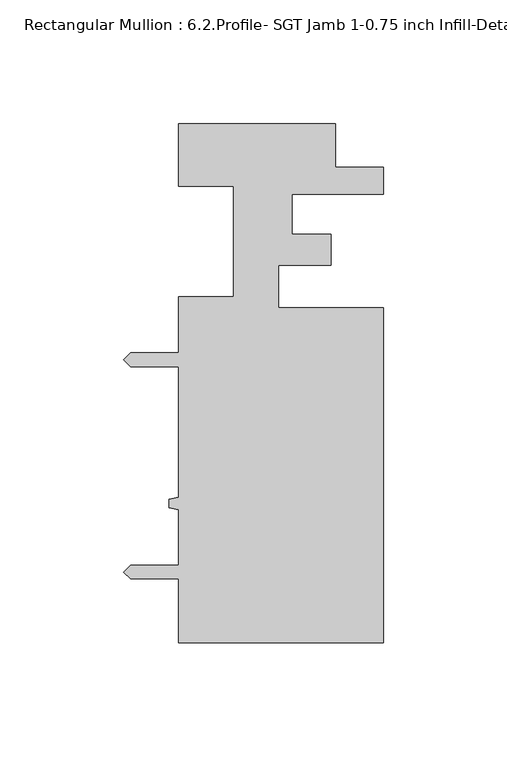
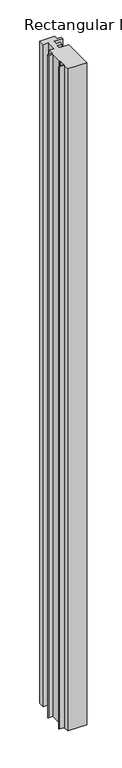
"""IFC4 building model written with IfcOpenShell, lengths in millimetres: member geometry, Rectangular Mullion : 6.2.Profile- SGT Jamb 1-0.75 inch Infill-Detail-7."""

import ifcopenshell
import ifcopenshell.guid

model = None  # the IFC model being written
_history = None  # IfcOwnerHistory: only IFC2X3 demands one
_inside = {}  # id of a spatial element -> (the spatial element, [elements in it])
_under = {}  # id of a project, library or spatial element -> (it, [spatial elements below it])
_declared = {}  # id of a project -> (the project, [libraries it declares])
_typed = {}  # id of a type object -> (the type object, [elements of that type])
_made_of = {}  # id of a material, layer set ... -> (it, [elements and type objects made of it])


def new_model(schema):
    """Start an empty IFC model of exactly this schema.

    Asked for "IFC4X3", IfcOpenShell would pick the latest addendum, in which some entities
    have other attributes; the version numbers below select the first issue.
    IFC2X3 requires an IfcOwnerHistory on every rooted entity: one is made here for all.
    """
    global model, _history
    if schema == "IFC4X3":
        model = ifcopenshell.file(schema_version=(4, 3, 0, 0))
    else:
        model = ifcopenshell.file(schema=schema)
    _inside.clear()
    _under.clear()
    _declared.clear()
    _typed.clear()
    _made_of.clear()
    _history = None
    if model.schema == "IFC2X3":
        org = make("IfcOrganization", Name="unknown")
        user = make(
            "IfcPersonAndOrganization",
            ThePerson=make("IfcPerson", FamilyName="unknown"),
            TheOrganization=org,
        )
        app = make(
            "IfcApplication",
            ApplicationDeveloper=org,
            Version="unknown",
            ApplicationFullName="unknown",
            ApplicationIdentifier="unknown",
        )
        _history = make(
            "IfcOwnerHistory",
            OwningUser=user,
            OwningApplication=app,
            ChangeAction="ADDED",
            CreationDate=0,
        )
    return model


def make(cls, **values):
    """One entity of the class cls with the attributes given. An attribute that is None is left unset."""
    return model.create_entity(
        cls, **{name: value for name, value in values.items() if value is not None}
    )


def rooted(cls, **values):
    """An entity with a GlobalId (a new one), such as an element, a storey or a relation."""
    return make(cls, GlobalId=ifcopenshell.guid.new(), OwnerHistory=_history, **values)


def si_unit(unit_type, name, prefix=None):
    """IfcSIUnit, for example si_unit("LENGTHUNIT", "METRE", prefix="MILLI")."""
    return make("IfcSIUnit", UnitType=unit_type, Prefix=prefix, Name=name)


def assignment(units):
    """IfcUnitAssignment: the units of a project."""
    return None if units is None else make("IfcUnitAssignment", Units=units)


def point(xyz):
    """IfcCartesianPoint."""
    return None if xyz is None else make("IfcCartesianPoint", Coordinates=xyz)


def direction(xyz):
    """IfcDirection."""
    return None if xyz is None else make("IfcDirection", DirectionRatios=xyz)


def frame(location, z_axis=None, x_axis=None):
    """IfcAxis2Placement3D, a coordinate frame: its origin and axes. An axis left out is left unset."""
    return make(
        "IfcAxis2Placement3D",
        Location=point(location),
        Axis=direction(z_axis),
        RefDirection=direction(x_axis),
    )


def origin():
    """The frame at (0, 0, 0) with its axes left unset."""
    return frame((0.0, 0.0, 0.0))


def place(relative_to, where):
    """IfcLocalPlacement: puts the frame where relative to a parent placement (None: the world)."""
    return make(
        "IfcLocalPlacement", PlacementRelTo=relative_to, RelativePlacement=where
    )


def context(
    kind, dimensions, precision=None, world=None, true_north=None, identifier=None
):
    """IfcGeometricRepresentationContext, for example the 3D "Model" context."""
    return make(
        "IfcGeometricRepresentationContext",
        ContextIdentifier=identifier,
        ContextType=kind,
        CoordinateSpaceDimension=dimensions,
        Precision=precision,
        WorldCoordinateSystem=world,
        TrueNorth=true_north,
    )


def project(units=None, contexts=None):
    """IfcProject with its units and contexts."""
    return rooted(
        "IfcProject",
        Name="project",
        RepresentationContexts=contexts,
        UnitsInContext=assignment(units),
    )


def spatial(cls, under=None, at=None, **own):
    """A site, building, storey or space (cls), placed at a placement, below another one or the project."""
    s = rooted(cls, ObjectPlacement=at, **own)
    if under is not None:
        _under.setdefault(under.id(), (under, []))[1].append(s)
    return s


def polyline(points):
    """IfcPolyline through the points."""
    return make("IfcPolyline", Points=[point(p) for p in points])


def outline(outer, holes=None, kind="AREA"):
    """IfcArbitraryClosedProfileDef: a profile drawn as a closed curve; with holes, ...WithVoids."""
    if holes is None:
        return make("IfcArbitraryClosedProfileDef", ProfileType=kind, OuterCurve=outer)
    return make(
        "IfcArbitraryProfileDefWithVoids",
        ProfileType=kind,
        OuterCurve=outer,
        InnerCurves=holes,
    )


def extrude(swept, where, along, depth):
    """IfcExtrudedAreaSolid: the profile swept, set in the frame where, extruded along a direction by depth."""
    return make(
        "IfcExtrudedAreaSolid",
        SweptArea=swept,
        Position=where,
        ExtrudedDirection=direction(along),
        Depth=depth,
    )


def shape(context_of_items, identifier, shape_type, items):
    """IfcShapeRepresentation: the items that make up one representation, for example the "Body"."""
    return make(
        "IfcShapeRepresentation",
        ContextOfItems=context_of_items,
        RepresentationIdentifier=identifier,
        RepresentationType=shape_type,
        Items=items,
    )


def source(mapping_origin, context_of_items, identifier, shape_type, items):
    """IfcRepresentationMap: a shape defined once, which mapped items show again and again."""
    return make(
        "IfcRepresentationMap",
        MappingOrigin=mapping_origin,
        MappedRepresentation=shape(context_of_items, identifier, shape_type, items),
    )


def transform(
    local_origin,
    x_axis=None,
    y_axis=None,
    z_axis=None,
    scale=None,
    scale2=None,
    scale3=None,
    uniform=True,
):
    """IfcCartesianTransformationOperator3D, or its non-uniform kind. x_axis, y_axis, z_axis: its Axis1, 2, 3."""
    if uniform:
        return make(
            "IfcCartesianTransformationOperator3D",
            Axis1=direction(x_axis),
            Axis2=direction(y_axis),
            LocalOrigin=point(local_origin),
            Scale=scale,
            Axis3=direction(z_axis),
        )
    return make(
        "IfcCartesianTransformationOperator3DnonUniform",
        Axis1=direction(x_axis),
        Axis2=direction(y_axis),
        LocalOrigin=point(local_origin),
        Scale=scale,
        Axis3=direction(z_axis),
        Scale2=scale2,
        Scale3=scale3,
    )


def mapped(mapping_source, mapping_target):
    """IfcMappedItem: shows the shape of a source again, moved by a transform."""
    return make(
        "IfcMappedItem", MappingSource=mapping_source, MappingTarget=mapping_target
    )


def made_of(thing, what):
    """Note that an element or type object is made of a material, layer set ...; save() writes the relation."""
    if what is not None:
        _made_of.setdefault(what.id(), (what, []))[1].append(thing)
    return thing


def element(
    cls,
    number,
    at=None,
    inside=None,
    cuts=None,
    type_object=None,
    material=None,
    context=None,
    identifier="Body",
    shape_type=None,
    held_by="IfcProductDefinitionShape",
    body=None,
    shapes=None,
    **own,
):
    """One element of the class cls, such as IfcWall. Its Tag is "e" and its number.

    at: its placement. inside: the storey or other place that contains it. cuts: it is an
    opening in that element (IfcRelVoidsElement). A single representation is given by context,
    identifier, shape_type and body (its items); several are given by shapes. held_by: the class
    of the entity that holds the representations. save() writes the other relations.
    """
    e = rooted(cls, Tag="e%d" % number, ObjectPlacement=at, **own)
    if body is not None:
        shapes = [shape(context, identifier, shape_type, body)]
    if shapes is not None:
        e.Representation = make(held_by, Representations=shapes)
    if inside is not None:
        _inside.setdefault(inside.id(), (inside, []))[1].append(e)
    if cuts is not None:
        rooted(
            "IfcRelVoidsElement", RelatingBuildingElement=cuts, RelatedOpeningElement=e
        )
    if type_object is not None:
        _typed.setdefault(type_object.id(), (type_object, []))[1].append(e)
    return made_of(e, material)


def aggregate(whole, parts):
    """IfcRelAggregates: a whole, such as a stair, and the parts it consists of."""
    return rooted("IfcRelAggregates", RelatingObject=whole, RelatedObjects=parts)


def save(model, path):
    """Write the relations noted so far, then the file.

    IfcRelAggregates (storeys below a building ...), IfcRelContainedInSpatialStructure (elements
    in a storey), IfcRelDefinesByType, IfcRelAssociatesMaterial and IfcRelDeclares: one each for
    every whole, place, type object, material and project.
    """
    for whole, parts in _under.values():
        aggregate(whole, parts)
    for where, things in _inside.values():
        rooted(
            "IfcRelContainedInSpatialStructure",
            RelatedElements=things,
            RelatingStructure=where,
        )
    for kind, things in _typed.values():
        rooted("IfcRelDefinesByType", RelatedObjects=things, RelatingType=kind)
    for what, things in _made_of.values():
        rooted("IfcRelAssociatesMaterial", RelatedObjects=things, RelatingMaterial=what)
    for by, libraries in _declared.values():
        rooted("IfcRelDeclares", RelatingContext=by, RelatedDefinitions=libraries)
    model.write(path)


def rectangular_mullion_6_2_profile_sgt_jamb_1_0_75_inch_infill_efdde010(model_context):
    return source(origin(), model_context, "Body", "SweptSolid", [
        extrude(outline(polyline([(0.0, -99.3353871), (-82.7668749, -99.3353871), (-82.7668749, -73.5035845), (-102.1216128, -73.5035845), (-104.8648045, -70.7603928), (-102.1215987, -68.0171871), (-82.7668749, -68.0171871), (-82.7668749, -45.6480504), (-86.5768749, -44.7336513), (-86.5768749, -41.4316696), (-82.7668749, -40.5172705), (-82.7668749, 12.2214105), (-102.121614, 12.2214105), (-104.8648248, 14.9646212), (-102.1215987, 17.7078079), (-82.7668749, 17.7078079), (-82.7668749, 40.3646079), (-60.5419882, 40.3646079), (-60.5419882, 85.0369309), (-82.7668732, 85.0369309), (-82.7668732, 110.2146079), (-19.2668732, 110.2146079), (-19.2668732, 92.7074259), (0.0, 92.7074259), (0.0, 81.7793079), (-36.8398206, 81.7793079), (-36.8398206, 65.5469002), (-21.1457993, 65.5469002), (-21.1457993, 53.0646079), (-42.3046742, 53.0646079), (-42.3046742, 36.043018), (0.0, 36.043018), (0.0, -99.3353871)])), frame((0.0, 0.0, -3048.0), z_axis=(0.0, 0.0, 1.0), x_axis=(1.0, 0.0, 0.0)), (0.0, 0.0, 1.0), 3048.0),
    ])


if __name__ == "__main__":
    model = new_model("IFC4")
    model_context = context("Model", 3, world=origin())
    ifc_project = project(units=[si_unit("LENGTHUNIT", "METRE", prefix="MILLI")], contexts=[model_context])
    site = spatial("IfcSite", under=ifc_project)
    building = spatial("IfcBuilding", under=site)
    placement = place(None, origin())
    rectangular_mullion_6_2_profile_sgt_jamb_1_0_75_inch_infill_shape = rectangular_mullion_6_2_profile_sgt_jamb_1_0_75_inch_infill_efdde010(model_context)
    element("IfcMember", 1, ObjectType="Rectangular Mullion : 6.2.Profile- SGT Jamb 1-0.75 inch Infill-Detail-7", at=placement, inside=building, context=model_context, shape_type="MappedRepresentation", body=[
        mapped(rectangular_mullion_6_2_profile_sgt_jamb_1_0_75_inch_infill_shape, transform((0.0, 0.0, 0.0), x_axis=(1.0, 0.0, 0.0), y_axis=(0.0, 1.0, 0.0), z_axis=(0.0, 0.0, 1.0))),
    ])
    save(model, "model.ifc")
